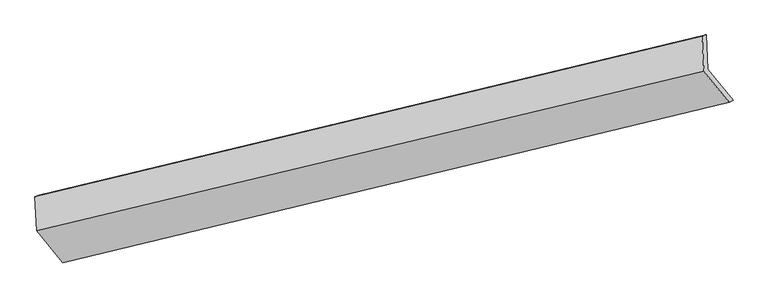
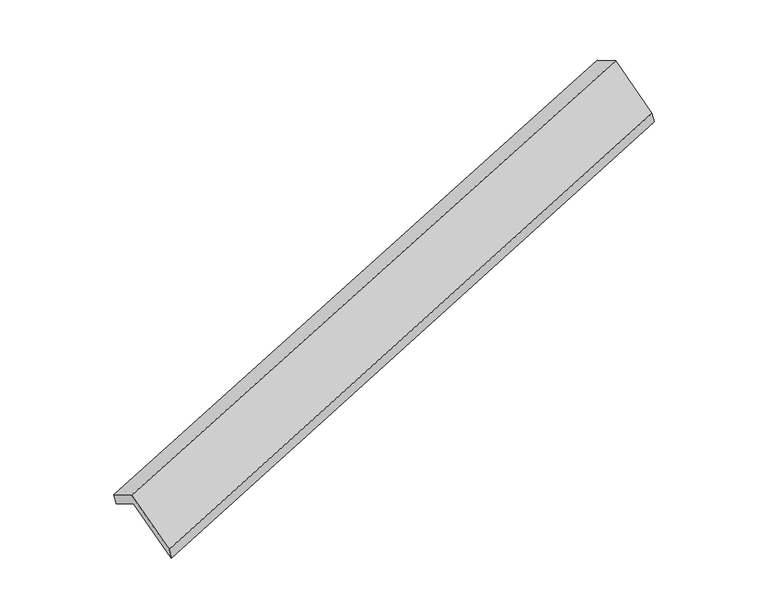
"""IFC4 building model written with IfcOpenShell, lengths in millimetres: proxy geometry."""

from ifc_helpers import new_model, si_unit, origin, place, context, project, spatial, faceted_brep, source, transform, mapped, element, save


def generic_models_d5e17251(model_context):
    return source(origin(), model_context, "Body", "Brep", [
        faceted_brep([(-6215.9893778, -2292.4027528, 1044.5397125), (-6233.6382041, -1961.1260813, 854.3239612), (358.1164703, -377.4503024, 2980.7199104), (376.2268119, -717.3898302, 3175.9097871), (-6273.1851696, -1976.4614274, 989.0751808), (318.5695048, -392.7856484, 3115.47113), (-6255.2220032, -2313.6384068, 1182.6788299), (336.9941864, -738.6254842, 3314.0489045), (-5997.385199, -2628.13946, 611.0259655), (587.4805407, -1044.1606946, 2758.6928051), (-5959.5322312, -2605.2209438, 475.9457026), (625.3335085, -1021.2421784, 2623.6125422)], [[[0, 1, 2, 3]], [[1, 4, 5, 2]], [[4, 6, 7, 5]], [[6, 8, 9, 7]], [[8, 10, 11, 9]], [[10, 0, 3, 11]], [[9, 11, 3, 2, 5, 7]], [[0, 10, 8, 6, 4, 1]]]),
    ])


if __name__ == "__main__":
    model = new_model("IFC4")
    model_context = context("Model", 3, world=origin())
    ifc_project = project(units=[si_unit("LENGTHUNIT", "METRE", prefix="MILLI")], contexts=[model_context])
    site = spatial("IfcSite", under=ifc_project)
    building = spatial("IfcBuilding", under=site)
    placement = place(None, origin())
    generic_models_shape = generic_models_d5e17251(model_context)
    element("IfcBuildingElementProxy", 1, Name="Generic Models", at=placement, inside=building, context=model_context, shape_type="MappedRepresentation", body=[
        mapped(generic_models_shape, transform((0.0, 0.0, 0.0), x_axis=(1.0, 0.0, 0.0), y_axis=(0.0, 1.0, 0.0), z_axis=(0.0, 0.0, 1.0))),
    ])
    save(model, "model.ifc")
